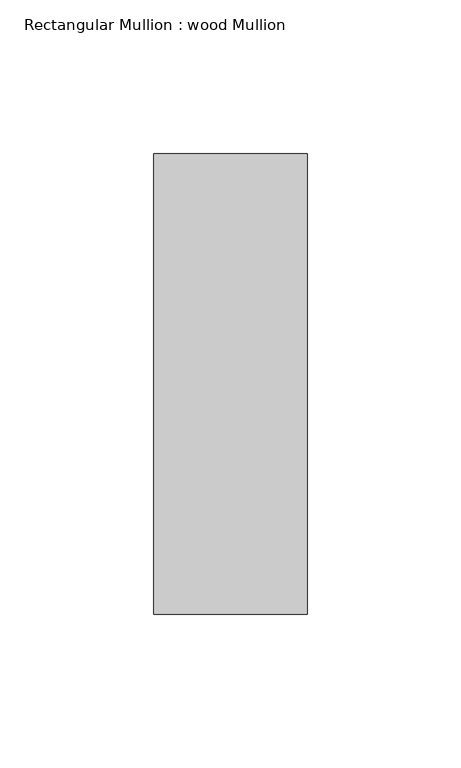
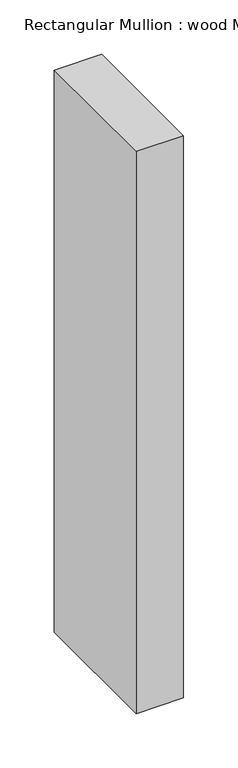
"""IFC4 building model written with IfcOpenShell, lengths in millimetres: member geometry, Rectangular Mullion : wood Mullion."""

from ifc_helpers import new_model, si_unit, frame, origin, place, context, project, spatial, polyline, outline, extrude, source, transform, mapped, element, save


def rectangular_mullion_wood_mullion_52c605c9(model_context):
    return source(origin(), model_context, "Body", "SweptSolid", [
        extrude(outline(polyline([(0.0, 75.0), (0.0, -75.0), (-50.0, -75.0), (-50.0, 75.0), (0.0, 75.0)])), frame((0.0, 0.0, -630.0), z_axis=(0.0, 0.0, 1.0), x_axis=(1.0, 0.0, 0.0)), (0.0, 0.0, 1.0), 630.0),
    ])


if __name__ == "__main__":
    model = new_model("IFC4")
    model_context = context("Model", 3, world=origin())
    ifc_project = project(units=[si_unit("LENGTHUNIT", "METRE", prefix="MILLI")], contexts=[model_context])
    site = spatial("IfcSite", under=ifc_project)
    building = spatial("IfcBuilding", under=site)
    placement = place(None, origin())
    rectangular_mullion_wood_mullion_shape = rectangular_mullion_wood_mullion_52c605c9(model_context)
    element("IfcMember", 1, ObjectType="Rectangular Mullion : wood Mullion", at=placement, inside=building, context=model_context, shape_type="MappedRepresentation", body=[
        mapped(rectangular_mullion_wood_mullion_shape, transform((0.0, 0.0, 0.0), x_axis=(1.0, 0.0, 0.0), y_axis=(0.0, 1.0, 0.0), z_axis=(0.0, 0.0, 1.0))),
    ])
    save(model, "model.ifc")
